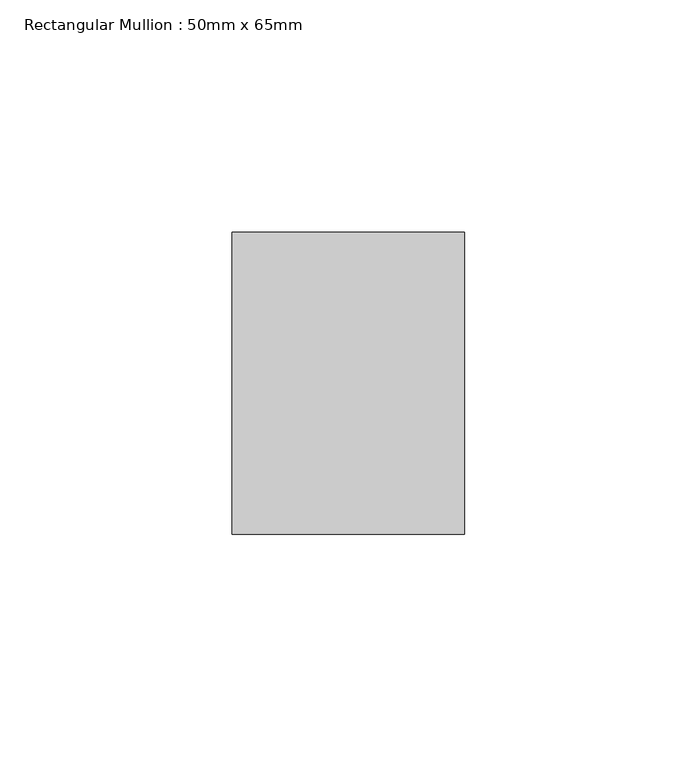
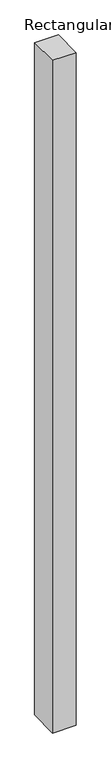
"""IFC4 building model written with IfcOpenShell, lengths in millimetres: member geometry, Rectangular Mullion : 50mm x 65mm."""

from ifc_helpers import new_model, si_unit, frame, origin, place, context, project, spatial, polyline, outline, extrude, source, transform, mapped, element, save


def rectangular_mullion_50mm_x_65mm_af547007(model_context):
    return source(origin(), model_context, "Body", "SweptSolid", [
        extrude(outline(polyline([(-32.5, 0.0), (32.5, 0.0), (32.5, -1499.3978336), (-32.5, -1500.6022665), (-32.5, 0.0)])), frame((-25.0, 0.0, 0.0), z_axis=(1.0, 0.0, 0.0), x_axis=(0.0, 1.0, 0.0)), (0.0, 0.0, 1.0), 50.0),
    ])


if __name__ == "__main__":
    model = new_model("IFC4")
    model_context = context("Model", 3, world=origin())
    ifc_project = project(units=[si_unit("LENGTHUNIT", "METRE", prefix="MILLI")], contexts=[model_context])
    site = spatial("IfcSite", under=ifc_project)
    building = spatial("IfcBuilding", under=site)
    placement = place(None, origin())
    rectangular_mullion_50mm_x_65mm_shape = rectangular_mullion_50mm_x_65mm_af547007(model_context)
    element("IfcMember", 1, ObjectType="Rectangular Mullion : 50mm x 65mm", at=placement, inside=building, context=model_context, shape_type="MappedRepresentation", body=[
        mapped(rectangular_mullion_50mm_x_65mm_shape, transform((0.0, 0.0, 0.0), x_axis=(1.0, 0.0, 0.0), y_axis=(0.0, 1.0, 0.0), z_axis=(0.0, 0.0, 1.0))),
    ])
    save(model, "model.ifc")
